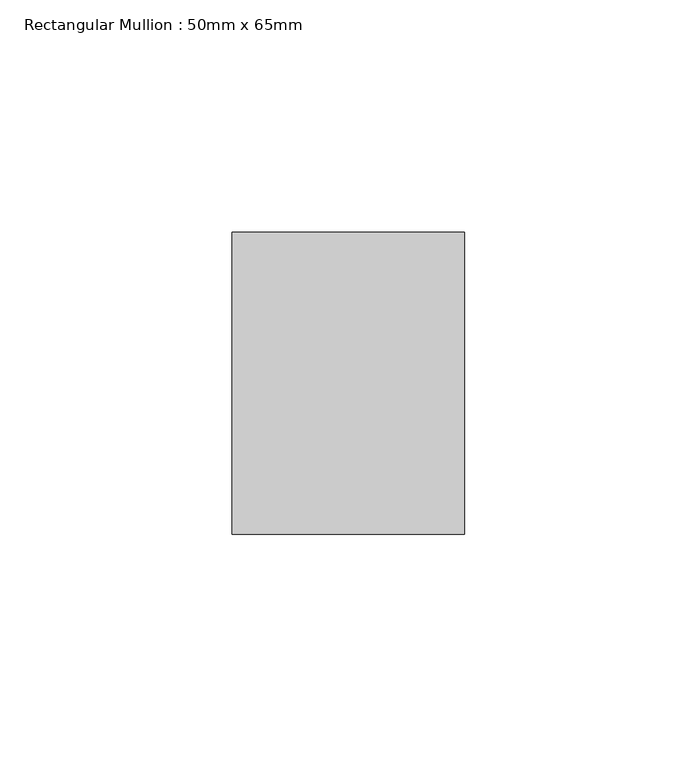
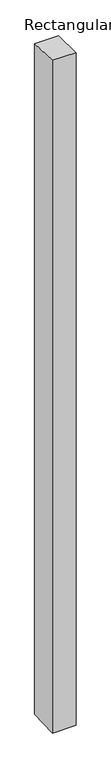
"""IFC4 building model written with IfcOpenShell, lengths in millimetres: member geometry, Rectangular Mullion : 50mm x 65mm."""

from ifc_helpers import new_model, si_unit, origin, place, context, project, spatial, faceted_brep, source, transform, mapped, element, save


def rectangular_mullion_50mm_x_65mm_d77395ae(model_context):
    return source(origin(), model_context, "Body", "Brep", [
        faceted_brep([(-25.0, 32.5, -0.8979688), (25.0, 32.5, -0.8979581), (25.0, 32.5, -1498.8581304), (-25.0, 32.5, -1498.8581167), (-25.0, -32.5, 0.8979581), (-25.0, -32.5, -1501.1420173), (25.0, -32.5, 0.8979688), (25.0, -32.5, -1501.142031)], [[[0, 1, 2, 3]], [[4, 0, 3, 5]], [[6, 4, 5, 7]], [[1, 6, 7, 2]], [[1, 0, 4, 6]], [[2, 7, 5, 3]]]),
    ])


if __name__ == "__main__":
    model = new_model("IFC4")
    model_context = context("Model", 3, world=origin())
    ifc_project = project(units=[si_unit("LENGTHUNIT", "METRE", prefix="MILLI")], contexts=[model_context])
    site = spatial("IfcSite", under=ifc_project)
    building = spatial("IfcBuilding", under=site)
    placement = place(None, origin())
    rectangular_mullion_50mm_x_65mm_shape = rectangular_mullion_50mm_x_65mm_d77395ae(model_context)
    element("IfcMember", 1, ObjectType="Rectangular Mullion : 50mm x 65mm", at=placement, inside=building, context=model_context, shape_type="MappedRepresentation", body=[
        mapped(rectangular_mullion_50mm_x_65mm_shape, transform((0.0, 0.0, 0.0), x_axis=(1.0, 0.0, 0.0), y_axis=(0.0, 1.0, 0.0), z_axis=(0.0, 0.0, 1.0))),
    ])
    save(model, "model.ifc")
